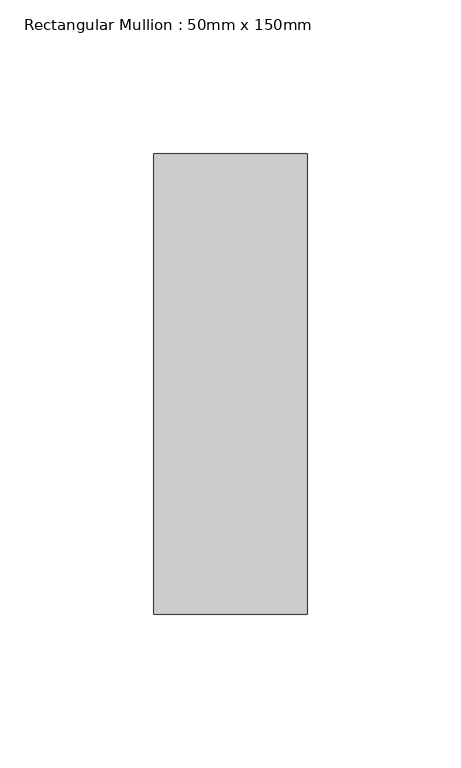
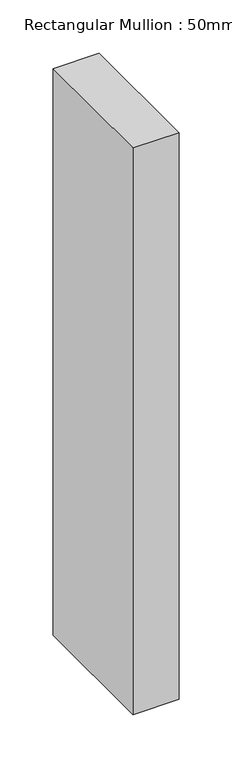
"""IFC4 building model written with IfcOpenShell, lengths in millimetres: member geometry, Rectangular Mullion : 50mm x 150mm."""

from ifc_helpers import new_model, si_unit, frame, origin, place, context, project, spatial, polyline, outline, extrude, source, transform, mapped, element, save


def rectangular_mullion_50mm_x_150mm_9b8962c0(model_context):
    return source(origin(), model_context, "Body", "SweptSolid", [
        extrude(outline(polyline([(0.0, 75.0), (0.0, -75.0), (-50.0, -75.0), (-50.0, 75.0), (0.0, 75.0)])), frame((0.0, 0.0, -650.0), z_axis=(0.0, 0.0, 1.0), x_axis=(1.0, 0.0, 0.0)), (0.0, 0.0, 1.0), 650.0),
    ])


if __name__ == "__main__":
    model = new_model("IFC4")
    model_context = context("Model", 3, world=origin())
    ifc_project = project(units=[si_unit("LENGTHUNIT", "METRE", prefix="MILLI")], contexts=[model_context])
    site = spatial("IfcSite", under=ifc_project)
    building = spatial("IfcBuilding", under=site)
    placement = place(None, origin())
    rectangular_mullion_50mm_x_150mm_shape = rectangular_mullion_50mm_x_150mm_9b8962c0(model_context)
    element("IfcMember", 1, ObjectType="Rectangular Mullion : 50mm x 150mm", at=placement, inside=building, context=model_context, shape_type="MappedRepresentation", body=[
        mapped(rectangular_mullion_50mm_x_150mm_shape, transform((0.0, 0.0, 0.0), x_axis=(1.0, 0.0, 0.0), y_axis=(0.0, 1.0, 0.0), z_axis=(0.0, 0.0, 1.0))),
    ])
    save(model, "model.ifc")
